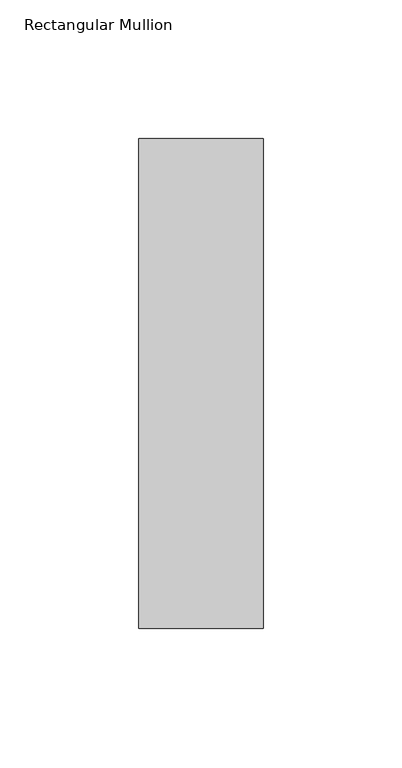
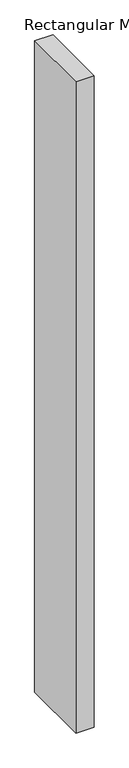
"""IFC4 building model written with IfcOpenShell, lengths in millimetres: member geometry, Rectangular Mullion."""

from ifc_helpers import new_model, si_unit, frame, origin, place, context, project, spatial, polyline, outline, extrude, source, transform, mapped, element, save


def rectangular_mullion_e0e12478(model_context):
    return source(origin(), model_context, "Body", "SweptSolid", [
        extrude(outline(polyline([(22.5, 133.875), (22.5, -42.875), (-22.5, -42.875), (-22.5, 133.875), (22.5, 133.875)])), frame((0.0, 0.0, -1708.8912252), z_axis=(0.0, 0.0, 1.0), x_axis=(1.0, 0.0, 0.0)), (0.0, 0.0, 1.0), 1708.8912252),
    ])


if __name__ == "__main__":
    model = new_model("IFC4")
    model_context = context("Model", 3, world=origin())
    ifc_project = project(units=[si_unit("LENGTHUNIT", "METRE", prefix="MILLI")], contexts=[model_context])
    site = spatial("IfcSite", under=ifc_project)
    building = spatial("IfcBuilding", under=site)
    placement = place(None, origin())
    rectangular_mullion_shape = rectangular_mullion_e0e12478(model_context)
    element("IfcMember", 1, ObjectType="Rectangular Mullion", at=placement, inside=building, context=model_context, shape_type="MappedRepresentation", body=[
        mapped(rectangular_mullion_shape, transform((0.0, 0.0, 0.0), x_axis=(1.0, 0.0, 0.0), y_axis=(0.0, 1.0, 0.0), z_axis=(0.0, 0.0, 1.0))),
    ])
    save(model, "model.ifc")
